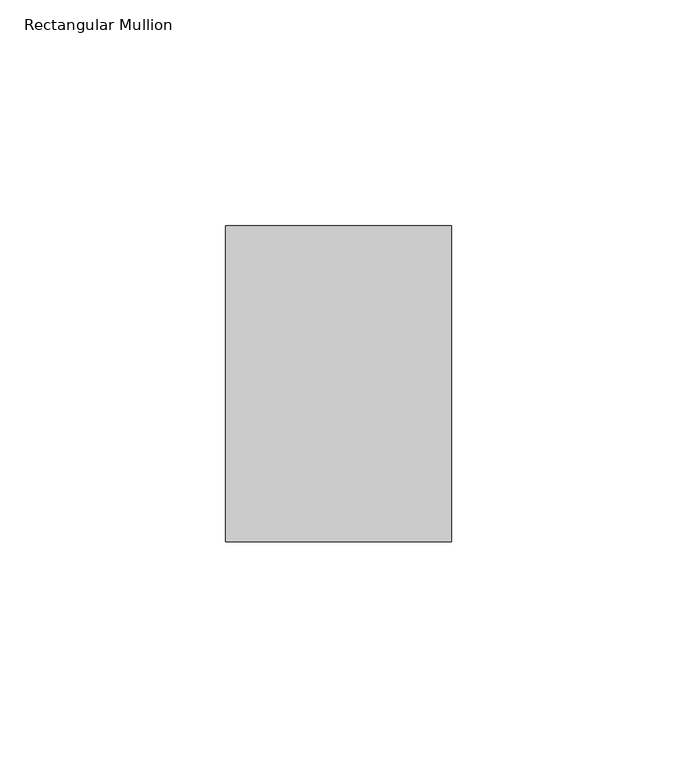
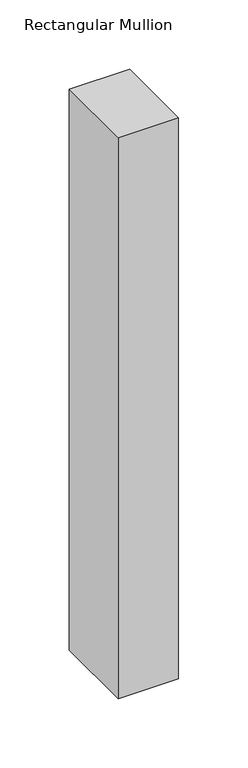
"""IFC4 building model written with IfcOpenShell, lengths in millimetres: member geometry, Rectangular Mullion."""

from ifc_helpers import new_model, si_unit, frame, origin, place, context, project, spatial, polyline, outline, extrude, source, transform, mapped, element, save


def rectangular_mullion_9c158339(model_context):
    return source(origin(), model_context, "Body", "SweptSolid", [
        extrude(outline(polyline([(25.0, 35.0), (25.0, -35.0), (-25.0, -35.0), (-25.0, 35.0), (25.0, 35.0)])), frame((0.0, 0.0, -493.0080059), z_axis=(0.0, 0.0, 1.0), x_axis=(1.0, 0.0, 0.0)), (0.0, 0.0, 1.0), 493.0080059),
    ])


if __name__ == "__main__":
    model = new_model("IFC4")
    model_context = context("Model", 3, world=origin())
    ifc_project = project(units=[si_unit("LENGTHUNIT", "METRE", prefix="MILLI")], contexts=[model_context])
    site = spatial("IfcSite", under=ifc_project)
    building = spatial("IfcBuilding", under=site)
    placement = place(None, origin())
    rectangular_mullion_shape = rectangular_mullion_9c158339(model_context)
    element("IfcMember", 1, ObjectType="Rectangular Mullion", at=placement, inside=building, context=model_context, shape_type="MappedRepresentation", body=[
        mapped(rectangular_mullion_shape, transform((0.0, 0.0, 0.0), x_axis=(1.0, 0.0, 0.0), y_axis=(0.0, 1.0, 0.0), z_axis=(0.0, 0.0, 1.0))),
    ])
    save(model, "model.ifc")
